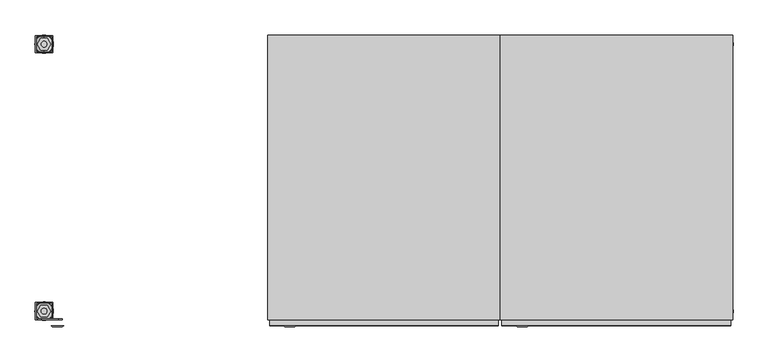
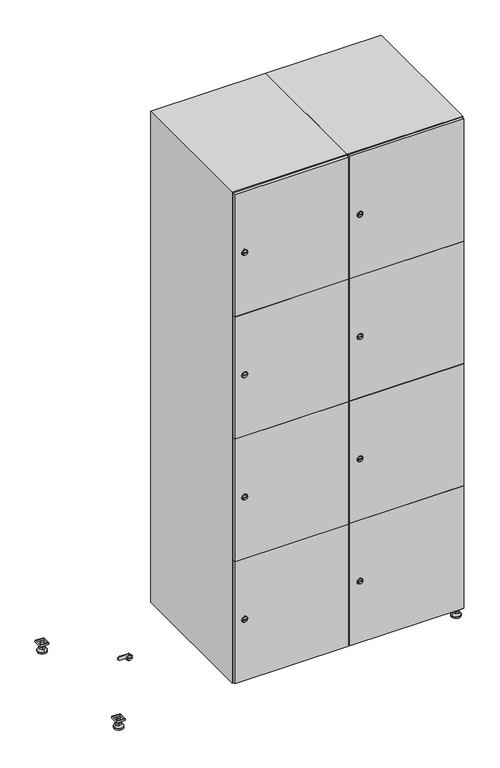
"""IFC4 building model written with IfcOpenShell, lengths in millimetres: furniture geometry."""

from ifc_helpers import new_model, si_unit, point, frame, frame_2d, origin, origin_with_axes, place, context, project, spatial, polyline, circle_curve, trimmed, segment, composite_curve, outline, extrude, faceted_brep, source, transform, mapped, element, save
from ifc_brep_helpers import plane_surface, revolved_surface, advanced_brep


def furniture_aa721944(model_context):
    return source(origin(), model_context, "Body", "SolidModel", [
        extrude(outline(polyline([(1000.0, 245.0), (1000.0, 215.0), (970.0, 215.0), (970.0, 245.0), (1000.0, 245.0)]), holes=[polyline([(998.0, 243.0), (972.0, 243.0), (972.0, 217.0), (998.0, 217.0), (998.0, 243.0)])]), frame((0.0, 0.0, 28.5), z_axis=(0.0, 0.0, 1.0), x_axis=(1.0, 0.0, 0.0)), (0.0, 0.0, 1.0), 6.5),
        extrude(outline(polyline([(970.0, -245.0), (970.0, -215.0), (1000.0, -215.0), (1000.0, -245.0), (970.0, -245.0)]), holes=[polyline([(972.0, -243.0), (998.0, -243.0), (998.0, -217.0), (972.0, -217.0), (972.0, -243.0)])]), frame((0.0, 0.0, 28.5), z_axis=(0.0, 0.0, 1.0), x_axis=(1.0, 0.0, 0.0)), (0.0, 0.0, 1.0), 6.5),
        extrude(outline(polyline([(-170.0, 245.0), (-170.0, 215.0), (-200.0, 215.0), (-200.0, 245.0), (-170.0, 245.0)]), holes=[polyline([(-172.0, 243.0), (-198.0, 243.0), (-198.0, 217.0), (-172.0, 217.0), (-172.0, 243.0)])]), frame((0.0, 0.0, 28.5), z_axis=(0.0, 0.0, 1.0), x_axis=(1.0, 0.0, 0.0)), (0.0, 0.0, 1.0), 6.5),
        extrude(outline(polyline([(-170.0, -215.0), (-170.0, -245.0), (-200.0, -245.0), (-200.0, -215.0), (-170.0, -215.0)]), holes=[polyline([(-198.0, -243.0), (-172.0, -243.0), (-172.0, -217.0), (-198.0, -217.0), (-198.0, -243.0)])]), frame((0.0, 0.0, 28.5), z_axis=(0.0, 0.0, 1.0), x_axis=(1.0, 0.0, 0.0)), (0.0, 0.0, 1.0), 6.5),
        extrude(outline(composite_curve([segment(trimmed(circle_curve(frame_2d((-185.0, 230.0)), 5.0), [point((-180.0, 230.0))], [point((-190.0, 230.0))], False, "CARTESIAN"), True, "CONTINUOUS"), segment(trimmed(circle_curve(frame_2d((-185.0, 230.0)), 5.0), [point((-190.0, 230.0))], [point((-180.0, 230.0))], False, "CARTESIAN"), True, "CONTINUOUS")], self_intersect=False)), frame((0.0, 0.0, 19.6), z_axis=(0.0, 0.0, 1.0), x_axis=(1.0, 0.0, 0.0)), (0.0, 0.0, 1.0), 15.4),
        extrude(outline(composite_curve([segment(trimmed(circle_curve(frame_2d((-185.0, -230.0)), 5.0), [point((-180.0, -230.0))], [point((-190.0, -230.0))], False, "CARTESIAN"), True, "CONTINUOUS"), segment(trimmed(circle_curve(frame_2d((-185.0, -230.0)), 5.0), [point((-190.0, -230.0))], [point((-180.0, -230.0))], False, "CARTESIAN"), True, "CONTINUOUS")], self_intersect=False)), frame((0.0, 0.0, 19.6), z_axis=(0.0, 0.0, 1.0), x_axis=(1.0, 0.0, 0.0)), (0.0, 0.0, 1.0), 15.4),
        extrude(outline(composite_curve([segment(trimmed(circle_curve(frame_2d((985.0, 230.0)), 5.0), [point((990.0, 230.0))], [point((980.0, 230.0))], False, "CARTESIAN"), True, "CONTINUOUS"), segment(trimmed(circle_curve(frame_2d((985.0, 230.0)), 5.0), [point((980.0, 230.0))], [point((990.0, 230.0))], False, "CARTESIAN"), True, "CONTINUOUS")], self_intersect=False)), frame((0.0, 0.0, 19.6), z_axis=(0.0, 0.0, 1.0), x_axis=(1.0, 0.0, 0.0)), (0.0, 0.0, 1.0), 15.4),
        extrude(outline(polyline([(973.4529946, 230.0), (979.2264973, 240.0), (990.7735027, 240.0), (996.5470054, 230.0), (990.7735027, 220.0), (979.2264973, 220.0), (973.4529946, 230.0)])), frame((0.0, 0.0, 13.6), z_axis=(0.0, 0.0, 1.0), x_axis=(1.0, 0.0, 0.0)), (0.0, 0.0, 1.0), 6.0),
        extrude(outline(composite_curve([segment(trimmed(circle_curve(frame_2d((985.0, -230.0)), 5.0), [point((990.0, -230.0))], [point((980.0, -230.0))], False, "CARTESIAN"), True, "CONTINUOUS"), segment(trimmed(circle_curve(frame_2d((985.0, -230.0)), 5.0), [point((980.0, -230.0))], [point((990.0, -230.0))], False, "CARTESIAN"), True, "CONTINUOUS")], self_intersect=False)), frame((0.0, 0.0, 19.6), z_axis=(0.0, 0.0, 1.0), x_axis=(1.0, 0.0, 0.0)), (0.0, 0.0, 1.0), 15.4),
        extrude(outline(polyline([(973.4529946, -230.0), (979.2264973, -220.0), (990.7735027, -220.0), (996.5470054, -230.0), (990.7735027, -240.0), (979.2264973, -240.0), (973.4529946, -230.0)])), frame((0.0, 0.0, 13.6), z_axis=(0.0, 0.0, 1.0), x_axis=(1.0, 0.0, 0.0)), (0.0, 0.0, 1.0), 6.0),
        extrude(outline(composite_curve([segment(trimmed(circle_curve(frame_2d((985.0, 230.0)), 5.0), [point((990.0, 230.0))], [point((980.0, 230.0))], False, "CARTESIAN"), True, "CONTINUOUS"), segment(trimmed(circle_curve(frame_2d((985.0, 230.0)), 5.0), [point((980.0, 230.0))], [point((990.0, 230.0))], False, "CARTESIAN"), True, "CONTINUOUS")], self_intersect=False)), frame((0.0, 0.0, 12.1), z_axis=(0.0, 0.0, 1.0), x_axis=(1.0, 0.0, 0.0)), (0.0, 0.0, 1.0), 1.5),
        extrude(outline(composite_curve([segment(trimmed(circle_curve(frame_2d((985.0, -230.0)), 5.0), [point((990.0, -230.0))], [point((980.0, -230.0))], False, "CARTESIAN"), True, "CONTINUOUS"), segment(trimmed(circle_curve(frame_2d((985.0, -230.0)), 5.0), [point((980.0, -230.0))], [point((990.0, -230.0))], False, "CARTESIAN"), True, "CONTINUOUS")], self_intersect=False)), frame((0.0, 0.0, 12.1), z_axis=(0.0, 0.0, 1.0), x_axis=(1.0, 0.0, 0.0)), (0.0, 0.0, 1.0), 1.5),
        extrude(outline(polyline([(-196.5470054, 230.0), (-190.7735027, 240.0), (-179.2264973, 240.0), (-173.4529946, 230.0), (-179.2264973, 220.0), (-190.7735027, 220.0), (-196.5470054, 230.0)])), frame((0.0, 0.0, 13.6), z_axis=(0.0, 0.0, 1.0), x_axis=(1.0, 0.0, 0.0)), (0.0, 0.0, 1.0), 6.0),
        extrude(outline(polyline([(-196.5470054, -230.0), (-190.7735027, -220.0), (-179.2264973, -220.0), (-173.4529946, -230.0), (-179.2264973, -240.0), (-190.7735027, -240.0), (-196.5470054, -230.0)])), frame((0.0, 0.0, 13.6), z_axis=(0.0, 0.0, 1.0), x_axis=(1.0, 0.0, 0.0)), (0.0, 0.0, 1.0), 6.0),
        extrude(outline(composite_curve([segment(trimmed(circle_curve(frame_2d((-185.0, 230.0)), 5.0), [point((-185.0, 235.0))], [point((-185.0, 225.0))], False, "CARTESIAN"), True, "CONTINUOUS"), segment(trimmed(circle_curve(frame_2d((-185.0, 230.0)), 5.0), [point((-185.0, 225.0))], [point((-185.0, 235.0))], False, "CARTESIAN"), True, "CONTINUOUS")], self_intersect=False)), frame((0.0, 0.0, 12.1), z_axis=(0.0, 0.0, 1.0), x_axis=(1.0, 0.0, 0.0)), (0.0, 0.0, 1.0), 1.5),
        extrude(outline(composite_curve([segment(trimmed(circle_curve(frame_2d((-185.0, -230.0)), 5.0), [point((-180.0, -230.0))], [point((-190.0, -230.0))], False, "CARTESIAN"), True, "CONTINUOUS"), segment(trimmed(circle_curve(frame_2d((-185.0, -230.0)), 5.0), [point((-190.0, -230.0))], [point((-180.0, -230.0))], False, "CARTESIAN"), True, "CONTINUOUS")], self_intersect=False)), frame((0.0, 0.0, 12.1), z_axis=(0.0, 0.0, 1.0), x_axis=(1.0, 0.0, 0.0)), (0.0, 0.0, 1.0), 1.5),
        extrude(outline(composite_curve([segment(trimmed(circle_curve(frame_2d((985.0, 230.0)), 15.75), [point((1000.75, 230.0))], [point((969.25, 230.0))], False, "CARTESIAN"), True, "CONTINUOUS"), segment(trimmed(circle_curve(frame_2d((985.0, 230.0)), 15.75), [point((969.25, 230.0))], [point((1000.75, 230.0))], False, "CARTESIAN"), True, "CONTINUOUS")], self_intersect=False)), origin_with_axes(), (0.0, 0.0, 1.0), 5.1),
        extrude(outline(composite_curve([segment(trimmed(circle_curve(frame_2d((985.0, -230.0)), 15.75), [point((985.0, -214.25))], [point((985.0, -245.75))], False, "CARTESIAN"), True, "CONTINUOUS"), segment(trimmed(circle_curve(frame_2d((985.0, -230.0)), 15.75), [point((985.0, -245.75))], [point((985.0, -214.25))], False, "CARTESIAN"), True, "CONTINUOUS")], self_intersect=False)), origin_with_axes(), (0.0, 0.0, 1.0), 5.1),
        extrude(outline(composite_curve([segment(trimmed(circle_curve(frame_2d((-185.0, -230.0)), 15.75), [point((-169.25, -230.0))], [point((-200.75, -230.0))], False, "CARTESIAN"), True, "CONTINUOUS"), segment(trimmed(circle_curve(frame_2d((-185.0, -230.0)), 15.75), [point((-200.75, -230.0))], [point((-169.25, -230.0))], False, "CARTESIAN"), True, "CONTINUOUS")], self_intersect=False)), origin_with_axes(), (0.0, 0.0, 1.0), 5.1),
        extrude(outline(composite_curve([segment(trimmed(circle_curve(frame_2d((-185.0, 230.0)), 15.75), [point((-169.25, 230.0))], [point((-200.75, 230.0))], False, "CARTESIAN"), True, "CONTINUOUS"), segment(trimmed(circle_curve(frame_2d((-185.0, 230.0)), 15.75), [point((-200.75, 230.0))], [point((-169.25, 230.0))], False, "CARTESIAN"), True, "CONTINUOUS")], self_intersect=False)), origin_with_axes(), (0.0, 0.0, 1.0), 5.1),
        advanced_brep(
        [(-185.0, 239.5, 12.1), (-185.0, 220.5, 12.1), (-185.0, 214.25, 5.1), (-185.0, 245.75, 5.1)],
        [
            (0, 1, circle_curve(frame((-185.0, 230.0, 12.1), z_axis=(0.0, 0.0, -1.0), x_axis=(0.0, 1.0, 0.0)), 9.5)),
            (1, 2),
            (2, 3, circle_curve(frame((-185.0, 230.0, 5.1), z_axis=(0.0, 0.0, 1.0), x_axis=(0.0, 1.0, 0.0)), 15.75)),
            (3, 0),
            (1, 0, circle_curve(frame((-185.0, 230.0, 12.1), z_axis=(0.0, 0.0, -1.0), x_axis=(0.0, -1.0, 0.0)), 9.5)),
            (3, 2, circle_curve(frame((-185.0, 230.0, 5.1), z_axis=(0.0, 0.0, 1.0), x_axis=(0.0, -1.0, 0.0)), 15.75)),
        ],
        [
            revolved_surface(polyline([(-185.0, 220.5, 12.099999999999998), (-185.0, 214.25, 5.099999999999998)]), (-185.0, 230.0, 22.74), (0.0, 0.0, -1.0)),
            revolved_surface(polyline([(-185.0, 239.5, 12.099999999999998), (-185.0, 245.75, 5.099999999999998)]), (-185.0, 230.0, 22.74), (0.0, 0.0, -1.0)),
            plane_surface(frame((-185.0, 230.0, 5.1), z_axis=(0.0, 0.0, -1.0), x_axis=(1.0, 0.0, 0.0))),
            plane_surface(frame((-185.0, 230.0, 12.1), z_axis=(0.0, 0.0, 1.0), x_axis=(1.0, 0.0, 0.0))),
        ],
        [
            (0, [[1, 2, 3, 4]]),
            (1, [[5, -4, 6, -2]]),
            (2, [[-3, -6]]),
            (3, [[-5, -1]]),
        ],
    ),
        advanced_brep(
        [(985.0, 239.5, 12.1), (985.0, 220.5, 12.1), (985.0, 214.25, 5.1), (985.0, 245.75, 5.1)],
        [
            (0, 1, circle_curve(frame((985.0, 230.0, 12.1), z_axis=(0.0, 0.0, -1.0), x_axis=(0.0, 1.0, 0.0)), 9.5)),
            (1, 2),
            (2, 3, circle_curve(frame((985.0, 230.0, 5.1), z_axis=(0.0, 0.0, 1.0), x_axis=(0.0, 1.0, 0.0)), 15.75)),
            (3, 0),
            (1, 0, circle_curve(frame((985.0, 230.0, 12.1), z_axis=(0.0, 0.0, -1.0), x_axis=(0.0, -1.0, 0.0)), 9.5)),
            (3, 2, circle_curve(frame((985.0, 230.0, 5.1), z_axis=(0.0, 0.0, 1.0), x_axis=(0.0, -1.0, 0.0)), 15.75)),
        ],
        [
            revolved_surface(polyline([(985.0, 220.5, 12.099999999999998), (985.0, 214.25, 5.099999999999998)]), (985.0, 230.0, 22.74), (0.0, 0.0, -1.0)),
            revolved_surface(polyline([(985.0, 239.5, 12.099999999999998), (985.0, 245.75, 5.099999999999998)]), (985.0, 230.0, 22.74), (0.0, 0.0, -1.0)),
            plane_surface(frame((985.0, 230.0, 5.1), z_axis=(0.0, 0.0, -1.0), x_axis=(1.0, 0.0, 0.0))),
            plane_surface(frame((985.0, 230.0, 12.1), z_axis=(0.0, 0.0, 1.0), x_axis=(1.0, 0.0, 0.0))),
        ],
        [
            (0, [[1, 2, 3, 4]]),
            (1, [[5, -4, 6, -2]]),
            (2, [[-3, -6]]),
            (3, [[-5, -1]]),
        ],
    ),
        advanced_brep(
        [(1000.75, -230.0, 5.1), (969.25, -230.0, 5.1), (975.5, -230.0, 12.1), (994.5, -230.0, 12.1)],
        [
            (0, 1, circle_curve(frame((985.0, -230.0, 5.1), z_axis=(0.0, 0.0, 1.0), x_axis=(1.0, 0.0, 0.0)), 15.75)),
            (1, 2),
            (2, 3, circle_curve(frame((985.0, -230.0, 12.1), z_axis=(0.0, 0.0, -1.0), x_axis=(1.0, 0.0, 0.0)), 9.5)),
            (3, 0),
            (1, 0, circle_curve(frame((985.0, -230.0, 5.1), z_axis=(0.0, 0.0, 1.0), x_axis=(-1.0, 0.0, 0.0)), 15.75)),
            (3, 2, circle_curve(frame((985.0, -230.0, 12.1), z_axis=(0.0, 0.0, -1.0), x_axis=(-1.0, 0.0, 0.0)), 9.5)),
        ],
        [
            revolved_surface(polyline([(994.5, -230.0, 12.099999999999998), (1000.75, -230.0, 5.099999999999998)]), (985.0, -230.0, 22.74), (0.0, 0.0, -1.0)),
            revolved_surface(polyline([(975.5, -230.0, 12.099999999999998), (969.25, -230.0, 5.099999999999998)]), (985.0, -230.0, 22.74), (0.0, 0.0, -1.0)),
            plane_surface(frame((985.0, -230.0, 12.1), z_axis=(0.0, 0.0, 1.0), x_axis=(0.0, 1.0, 0.0))),
            plane_surface(frame((985.0, -230.0, 5.1), z_axis=(0.0, 0.0, -1.0), x_axis=(0.0, 1.0, 0.0))),
        ],
        [
            (0, [[1, 2, 3, 4]]),
            (1, [[5, -4, 6, -2]]),
            (2, [[-3, -6]]),
            (3, [[-5, -1]]),
        ],
    ),
        advanced_brep(
        [(-169.25, -230.0, 5.1), (-200.75, -230.0, 5.1), (-194.5, -230.0, 12.1), (-175.5, -230.0, 12.1)],
        [
            (0, 1, circle_curve(frame((-185.0, -230.0, 5.1), z_axis=(0.0, 0.0, 1.0), x_axis=(1.0, 0.0, 0.0)), 15.75)),
            (1, 2),
            (2, 3, circle_curve(frame((-185.0, -230.0, 12.1), z_axis=(0.0, 0.0, -1.0), x_axis=(1.0, 0.0, 0.0)), 9.5)),
            (3, 0),
            (1, 0, circle_curve(frame((-185.0, -230.0, 5.1), z_axis=(0.0, 0.0, 1.0), x_axis=(-1.0, 0.0, 0.0)), 15.75)),
            (3, 2, circle_curve(frame((-185.0, -230.0, 12.1), z_axis=(0.0, 0.0, -1.0), x_axis=(-1.0, 0.0, 0.0)), 9.5)),
        ],
        [
            revolved_surface(polyline([(-175.5, -230.0, 12.099999999999998), (-169.25, -230.0, 5.099999999999998)]), (-185.0, -230.0, 22.74), (0.0, 0.0, -1.0)),
            revolved_surface(polyline([(-194.5, -230.0, 12.099999999999998), (-200.75, -230.0, 5.099999999999998)]), (-185.0, -230.0, 22.74), (0.0, 0.0, -1.0)),
            plane_surface(frame((-185.0, -230.0, 12.1), z_axis=(0.0, 0.0, 1.0), x_axis=(0.0, 1.0, 0.0))),
            plane_surface(frame((-185.0, -230.0, 5.1), z_axis=(0.0, 0.0, -1.0), x_axis=(0.0, 1.0, 0.0))),
        ],
        [
            (0, [[1, 2, 3, 4]]),
            (1, [[5, -4, 6, -2]]),
            (2, [[-3, -6]]),
            (3, [[-5, -1]]),
        ],
    ),
        extrude(outline(composite_curve([segment(trimmed(circle_curve(frame_2d((262.25, 611.2010534)), 7.0), [point((269.25, 611.2010534))], [point((255.25, 611.2010534))], False, "CARTESIAN"), True, "CONTINUOUS"), segment(polyline([(255.25, 611.2010534), (255.25, 639.2010534)]), True, "CONTINUOUS"), segment(trimmed(circle_curve(frame_2d((262.25, 639.2010534)), 7.0), [point((255.25, 639.2010534))], [point((269.25, 639.2010534))], False, "CARTESIAN"), True, "CONTINUOUS"), segment(polyline([(269.25, 639.2010534), (269.25, 611.2010534)]), True, "CONTINUOUS")], self_intersect=False)), frame((0.0, -245.0, 0.0), z_axis=(0.0, 1.0, 0.0), x_axis=(0.0, 0.0, 1.0)), (0.0, 0.0, 1.0), 2.0),
        advanced_brep(
        [(646.5, -257.2, 262.25), (629.5, -257.2, 262.25), (633.0, -257.2, 261.0), (633.0, -257.2, 263.5), (643.0, -257.2, 263.5), (643.0, -257.2, 261.0), (648.5, -255.0, 262.25), (627.5, -255.0, 262.25), (633.0, -255.0, 263.5), (633.0, -255.0, 261.0), (643.0, -255.0, 261.0), (643.0, -255.0, 263.5)],
        [
            (0, 1, circle_curve(frame((638.0, -257.2, 262.25), z_axis=(0.0, -1.0, 0.0), x_axis=(1.0, 0.0, 0.0)), 8.5)),
            (1, 0, circle_curve(frame((638.0, -257.2, 262.25), z_axis=(0.0, -1.0, 0.0), x_axis=(-1.0, 0.0, 0.0)), 8.5)),
            (2, 3),
            (3, 4),
            (4, 5),
            (5, 2),
            (6, 7, circle_curve(frame((638.0, -255.0, 262.25), z_axis=(0.0, 1.0, 0.0), x_axis=(-1.0, 0.0, 0.0)), 10.5)),
            (7, 6, circle_curve(frame((638.0, -255.0, 262.25), z_axis=(0.0, 1.0, 0.0), x_axis=(1.0, 0.0, 0.0)), 10.5)),
            (8, 9),
            (9, 10),
            (10, 11),
            (11, 8),
            (0, 6),
            (7, 1),
            (8, 3),
            (2, 9),
            (11, 4),
            (10, 5),
        ],
        [
            plane_surface(frame((638.0, -257.2, 262.25), z_axis=(0.0, -1.0, 0.0), x_axis=(0.0, 0.0, 1.0))),
            plane_surface(frame((638.0, -255.0, 262.25), z_axis=(0.0, 1.0, 0.0), x_axis=(0.0, 0.0, 1.0))),
            revolved_surface(polyline([(646.5, -257.2, 262.25), (648.5, -255.0, 262.25)]), (638.0, -266.55, 262.25), (0.0, 1.0, 0.0)),
            revolved_surface(polyline([(629.5, -257.2, 262.25), (627.5, -255.0, 262.25)]), (638.0, -266.55, 262.25), (0.0, 1.0, 0.0)),
            plane_surface(frame((633.0, -255.0, 261.0), z_axis=(1.0, 0.0, 0.0), x_axis=(0.0, -1.0, 0.0))),
            plane_surface(frame((633.0, -255.0, 263.5), z_axis=(0.0, 0.0, -1.0), x_axis=(0.0, -1.0, 0.0))),
            plane_surface(frame((643.0, -255.0, 263.5), z_axis=(-1.0, 0.0, 0.0), x_axis=(0.0, -1.0, 0.0))),
            plane_surface(frame((643.0, -255.0, 261.0), z_axis=(0.0, 0.0, 1.0), x_axis=(0.0, -1.0, 0.0))),
        ],
        [
            (0, [[1, 2], [3, 4, 5, 6]]),
            (1, [[7, 8], [9, 10, 11, 12]]),
            (2, [[-1, 13, -8, 14]]),
            (3, [[-2, -14, -7, -13]]),
            (4, [[15, -3, 16, -9]]),
            (5, [[-15, -12, 17, -4]]),
            (6, [[-17, -11, 18, -5]]),
            (7, [[-16, -6, -18, -10]]),
        ],
    ),
        extrude(outline(composite_curve([segment(trimmed(circle_curve(frame_2d((710.75, 611.2010534)), 7.0), [point((717.75, 611.2010534))], [point((703.75, 611.2010534))], False, "CARTESIAN"), True, "CONTINUOUS"), segment(polyline([(703.75, 611.2010534), (703.75, 639.2010534)]), True, "CONTINUOUS"), segment(trimmed(circle_curve(frame_2d((710.75, 639.2010534)), 7.0), [point((703.75, 639.2010534))], [point((717.75, 639.2010534))], False, "CARTESIAN"), True, "CONTINUOUS"), segment(polyline([(717.75, 639.2010534), (717.75, 611.2010534)]), True, "CONTINUOUS")], self_intersect=False)), frame((0.0, -245.0, 0.0), z_axis=(0.0, 1.0, 0.0), x_axis=(0.0, 0.0, 1.0)), (0.0, 0.0, 1.0), 2.0),
        advanced_brep(
        [(646.5, -257.2, 710.75), (629.5, -257.2, 710.75), (633.0, -257.2, 709.5), (633.0, -257.2, 712.0), (643.0, -257.2, 712.0), (643.0, -257.2, 709.5), (648.5, -255.0, 710.75), (627.5, -255.0, 710.75), (633.0, -255.0, 712.0), (633.0, -255.0, 709.5), (643.0, -255.0, 709.5), (643.0, -255.0, 712.0)],
        [
            (0, 1, circle_curve(frame((638.0, -257.2, 710.75), z_axis=(0.0, -1.0, 0.0), x_axis=(1.0, 0.0, 0.0)), 8.5)),
            (1, 0, circle_curve(frame((638.0, -257.2, 710.75), z_axis=(0.0, -1.0, 0.0), x_axis=(-1.0, 0.0, 0.0)), 8.5)),
            (2, 3),
            (3, 4),
            (4, 5),
            (5, 2),
            (6, 7, circle_curve(frame((638.0, -255.0, 710.75), z_axis=(0.0, 1.0, 0.0), x_axis=(-1.0, 0.0, 0.0)), 10.5)),
            (7, 6, circle_curve(frame((638.0, -255.0, 710.75), z_axis=(0.0, 1.0, 0.0), x_axis=(1.0, 0.0, 0.0)), 10.5)),
            (8, 9),
            (9, 10),
            (10, 11),
            (11, 8),
            (0, 6),
            (7, 1),
            (8, 3),
            (2, 9),
            (11, 4),
            (10, 5),
        ],
        [
            plane_surface(frame((638.0, -257.2, 710.75), z_axis=(0.0, -1.0, 0.0), x_axis=(0.0, 0.0, 1.0))),
            plane_surface(frame((638.0, -255.0, 710.75), z_axis=(0.0, 1.0, 0.0), x_axis=(0.0, 0.0, 1.0))),
            revolved_surface(polyline([(646.5, -257.2, 710.75), (648.5, -255.0, 710.75)]), (638.0, -266.55, 710.75), (0.0, 1.0, 0.0)),
            revolved_surface(polyline([(629.5, -257.2, 710.75), (627.5, -255.0, 710.75)]), (638.0, -266.55, 710.75), (0.0, 1.0, 0.0)),
            plane_surface(frame((633.0, -255.0, 709.5), z_axis=(1.0, 0.0, 0.0), x_axis=(0.0, -1.0, 0.0))),
            plane_surface(frame((633.0, -255.0, 712.0), z_axis=(0.0, 0.0, -1.0), x_axis=(0.0, -1.0, 0.0))),
            plane_surface(frame((643.0, -255.0, 712.0), z_axis=(-1.0, 0.0, 0.0), x_axis=(0.0, -1.0, 0.0))),
            plane_surface(frame((643.0, -255.0, 709.5), z_axis=(0.0, 0.0, 1.0), x_axis=(0.0, -1.0, 0.0))),
        ],
        [
            (0, [[1, 2], [3, 4, 5, 6]]),
            (1, [[7, 8], [9, 10, 11, 12]]),
            (2, [[-1, 13, -8, 14]]),
            (3, [[-2, -14, -7, -13]]),
            (4, [[15, -3, 16, -9]]),
            (5, [[-15, -12, 17, -4]]),
            (6, [[-17, -11, 18, -5]]),
            (7, [[-16, -6, -18, -10]]),
        ],
    ),
        extrude(outline(composite_curve([segment(trimmed(circle_curve(frame_2d((1159.25, 611.2010534)), 7.0), [point((1166.25, 611.2010534))], [point((1152.25, 611.2010534))], False, "CARTESIAN"), True, "CONTINUOUS"), segment(polyline([(1152.25, 611.2010534), (1152.25, 639.2010534)]), True, "CONTINUOUS"), segment(trimmed(circle_curve(frame_2d((1159.25, 639.2010534)), 7.0), [point((1152.25, 639.2010534))], [point((1166.25, 639.2010534))], False, "CARTESIAN"), True, "CONTINUOUS"), segment(polyline([(1166.25, 639.2010534), (1166.25, 611.2010534)]), True, "CONTINUOUS")], self_intersect=False)), frame((0.0, -245.0, 0.0), z_axis=(0.0, 1.0, 0.0), x_axis=(0.0, 0.0, 1.0)), (0.0, 0.0, 1.0), 2.0),
        advanced_brep(
        [(646.5, -257.2, 1159.25), (629.5, -257.2, 1159.25), (633.0, -257.2, 1158.0), (633.0, -257.2, 1160.5), (643.0, -257.2, 1160.5), (643.0, -257.2, 1158.0), (648.5, -255.0, 1159.25), (627.5, -255.0, 1159.25), (633.0, -255.0, 1160.5), (633.0, -255.0, 1158.0), (643.0, -255.0, 1158.0), (643.0, -255.0, 1160.5)],
        [
            (0, 1, circle_curve(frame((638.0, -257.2, 1159.25), z_axis=(0.0, -1.0, 0.0), x_axis=(1.0, 0.0, 0.0)), 8.5)),
            (1, 0, circle_curve(frame((638.0, -257.2, 1159.25), z_axis=(0.0, -1.0, 0.0), x_axis=(-1.0, 0.0, 0.0)), 8.5)),
            (2, 3),
            (3, 4),
            (4, 5),
            (5, 2),
            (6, 7, circle_curve(frame((638.0, -255.0, 1159.25), z_axis=(0.0, 1.0, 0.0), x_axis=(-1.0, 0.0, 0.0)), 10.5)),
            (7, 6, circle_curve(frame((638.0, -255.0, 1159.25), z_axis=(0.0, 1.0, 0.0), x_axis=(1.0, 0.0, 0.0)), 10.5)),
            (8, 9),
            (9, 10),
            (10, 11),
            (11, 8),
            (0, 6),
            (7, 1),
            (8, 3),
            (2, 9),
            (11, 4),
            (10, 5),
        ],
        [
            plane_surface(frame((638.0, -257.2, 1159.25), z_axis=(0.0, -1.0, 0.0), x_axis=(0.0, 0.0, 1.0))),
            plane_surface(frame((638.0, -255.0, 1159.25), z_axis=(0.0, 1.0, 0.0), x_axis=(0.0, 0.0, 1.0))),
            revolved_surface(polyline([(646.5, -257.2, 1159.25), (648.5, -255.0, 1159.25)]), (638.0, -266.55, 1159.25), (0.0, 1.0, 0.0)),
            revolved_surface(polyline([(629.5, -257.2, 1159.25), (627.5, -255.0, 1159.25)]), (638.0, -266.55, 1159.25), (0.0, 1.0, 0.0)),
            plane_surface(frame((633.0, -255.0, 1158.0), z_axis=(1.0, 0.0, 0.0), x_axis=(0.0, -1.0, 0.0))),
            plane_surface(frame((633.0, -255.0, 1160.5), z_axis=(0.0, 0.0, -1.0), x_axis=(0.0, -1.0, 0.0))),
            plane_surface(frame((643.0, -255.0, 1160.5), z_axis=(-1.0, 0.0, 0.0), x_axis=(0.0, -1.0, 0.0))),
            plane_surface(frame((643.0, -255.0, 1158.0), z_axis=(0.0, 0.0, 1.0), x_axis=(0.0, -1.0, 0.0))),
        ],
        [
            (0, [[1, 2], [3, 4, 5, 6]]),
            (1, [[7, 8], [9, 10, 11, 12]]),
            (2, [[-1, 13, -8, 14]]),
            (3, [[-2, -14, -7, -13]]),
            (4, [[15, -3, 16, -9]]),
            (5, [[-15, -12, 17, -4]]),
            (6, [[-17, -11, 18, -5]]),
            (7, [[-16, -6, -18, -10]]),
        ],
    ),
        extrude(outline(composite_curve([segment(trimmed(circle_curve(frame_2d((1607.75, 611.2010534)), 7.0), [point((1614.75, 611.2010534))], [point((1600.75, 611.2010534))], False, "CARTESIAN"), True, "CONTINUOUS"), segment(polyline([(1600.75, 611.2010534), (1600.75, 639.2010534)]), True, "CONTINUOUS"), segment(trimmed(circle_curve(frame_2d((1607.75, 639.2010534)), 7.0), [point((1600.75, 639.2010534))], [point((1614.75, 639.2010534))], False, "CARTESIAN"), True, "CONTINUOUS"), segment(polyline([(1614.75, 639.2010534), (1614.75, 611.2010534)]), True, "CONTINUOUS")], self_intersect=False)), frame((0.0, -245.0, 0.0), z_axis=(0.0, 1.0, 0.0), x_axis=(0.0, 0.0, 1.0)), (0.0, 0.0, 1.0), 2.0),
        advanced_brep(
        [(646.5, -257.2, 1607.75), (629.5, -257.2, 1607.75), (633.0, -257.2, 1606.5), (633.0, -257.2, 1609.0), (643.0, -257.2, 1609.0), (643.0, -257.2, 1606.5), (648.5, -255.0, 1607.75), (627.5, -255.0, 1607.75), (633.0, -255.0, 1609.0), (633.0, -255.0, 1606.5), (643.0, -255.0, 1606.5), (643.0, -255.0, 1609.0)],
        [
            (0, 1, circle_curve(frame((638.0, -257.2, 1607.75), z_axis=(0.0, -1.0, 0.0), x_axis=(1.0, 0.0, 0.0)), 8.5)),
            (1, 0, circle_curve(frame((638.0, -257.2, 1607.75), z_axis=(0.0, -1.0, 0.0), x_axis=(-1.0, 0.0, 0.0)), 8.5)),
            (2, 3),
            (3, 4),
            (4, 5),
            (5, 2),
            (6, 7, circle_curve(frame((638.0, -255.0, 1607.75), z_axis=(0.0, 1.0, 0.0), x_axis=(-1.0, 0.0, 0.0)), 10.5)),
            (7, 6, circle_curve(frame((638.0, -255.0, 1607.75), z_axis=(0.0, 1.0, 0.0), x_axis=(1.0, 0.0, 0.0)), 10.5)),
            (8, 9),
            (9, 10),
            (10, 11),
            (11, 8),
            (0, 6),
            (7, 1),
            (8, 3),
            (2, 9),
            (11, 4),
            (10, 5),
        ],
        [
            plane_surface(frame((638.0, -257.2, 1607.75), z_axis=(0.0, -1.0, 0.0), x_axis=(0.0, 0.0, 1.0))),
            plane_surface(frame((638.0, -255.0, 1607.75), z_axis=(0.0, 1.0, 0.0), x_axis=(0.0, 0.0, 1.0))),
            revolved_surface(polyline([(646.5, -257.2, 1607.75), (648.5, -255.0, 1607.75)]), (638.0, -266.55, 1607.75), (0.0, 1.0, 0.0)),
            revolved_surface(polyline([(629.5, -257.2, 1607.75), (627.5, -255.0, 1607.75)]), (638.0, -266.55, 1607.75), (0.0, 1.0, 0.0)),
            plane_surface(frame((633.0, -255.0, 1606.5), z_axis=(1.0, 0.0, 0.0), x_axis=(0.0, -1.0, 0.0))),
            plane_surface(frame((633.0, -255.0, 1609.0), z_axis=(0.0, 0.0, -1.0), x_axis=(0.0, -1.0, 0.0))),
            plane_surface(frame((643.0, -255.0, 1609.0), z_axis=(-1.0, 0.0, 0.0), x_axis=(0.0, -1.0, 0.0))),
            plane_surface(frame((643.0, -255.0, 1606.5), z_axis=(0.0, 0.0, 1.0), x_axis=(0.0, -1.0, 0.0))),
        ],
        [
            (0, [[1, 2], [3, 4, 5, 6]]),
            (1, [[7, 8], [9, 10, 11, 12]]),
            (2, [[-1, 13, -8, 14]]),
            (3, [[-2, -14, -7, -13]]),
            (4, [[15, -3, 16, -9]]),
            (5, [[-15, -12, 17, -4]]),
            (6, [[-17, -11, 18, -5]]),
            (7, [[-16, -6, -18, -10]]),
        ],
    ),
        extrude(outline(polyline([(997.0, -245.0), (997.0, -255.0), (603.0, -255.0), (603.0, -245.0), (997.0, -245.0)])), frame((0.0, 0.0, 486.0), z_axis=(0.0, 0.0, 1.0), x_axis=(1.0, 0.0, 0.0)), (0.0, 0.0, 1.0), 448.5),
        extrude(outline(polyline([(997.0, -245.0), (997.0, -255.0), (603.0, -255.0), (603.0, -245.0), (997.0, -245.0)])), frame((0.0, 0.0, 935.5), z_axis=(0.0, 0.0, 1.0), x_axis=(1.0, 0.0, 0.0)), (0.0, 0.0, 1.0), 447.5),
        extrude(outline(polyline([(603.0, -255.0), (603.0, -245.0), (997.0, -245.0), (997.0, -255.0), (603.0, -255.0)])), frame((0.0, 0.0, 1384.0), z_axis=(0.0, 0.0, 1.0), x_axis=(1.0, 0.0, 0.0)), (0.0, 0.0, 1.0), 448.0),
        extrude(outline(polyline([(997.0, -245.0), (997.0, -255.0), (603.0, -255.0), (603.0, -245.0), (997.0, -245.0)])), frame((0.0, 0.0, 38.0), z_axis=(0.0, 0.0, 1.0), x_axis=(1.0, 0.0, 0.0)), (0.0, 0.0, 1.0), 449.0),
        extrude(outline(polyline([(979.6, 242.0), (979.6, -235.0), (620.4, -235.0), (620.4, 242.0), (979.6, 242.0)])), frame((0.0, 0.0, 1359.7), z_axis=(0.0, 0.0, 1.0), x_axis=(1.0, 0.0, 0.0)), (0.0, 0.0, 1.0), 20.4),
        extrude(outline(polyline([(979.6, 242.0), (979.6, -235.0), (620.4, -235.0), (620.4, 242.0), (979.6, 242.0)])), frame((0.0, 0.0, 924.8), z_axis=(0.0, 0.0, 1.0), x_axis=(1.0, 0.0, 0.0)), (0.0, 0.0, 1.0), 20.4),
        extrude(outline(polyline([(979.6, 242.0), (979.6, -235.0), (620.4, -235.0), (620.4, 242.0), (979.6, 242.0)])), frame((0.0, 0.0, 489.9), z_axis=(0.0, 0.0, 1.0), x_axis=(1.0, 0.0, 0.0)), (0.0, 0.0, 1.0), 20.4),
        faceted_brep([(1000.0, -245.0, 35.0), (1000.0, -245.0, 1835.0), (600.0, -245.0, 1835.0), (600.0, -245.0, 35.0), (979.6, -245.0, 1804.8), (979.6, -245.0, 65.2), (620.4, -245.0, 65.2), (620.4, -245.0, 1804.8), (1000.0, 245.0, 35.0), (600.0, 245.0, 35.0), (1000.0, 245.0, 1835.0), (600.0, 245.0, 1835.0), (979.6, 242.0, 1804.8), (979.6, 242.0, 65.2), (600.0, 245.0, 1804.8), (620.4, 242.0, 1804.8), (620.4, 242.0, 65.2)], [[[0, 1, 2, 3], [4, 5, 6, 7]], [[8, 0, 3, 9]], [[1, 0, 8, 10]], [[1, 10, 11, 2]], [[4, 12, 13, 5]], [[9, 3, 2, 11, 14]], [[10, 8, 9, 14, 11]], [[12, 15, 16, 13]], [[15, 7, 6, 16]], [[4, 7, 15, 12]], [[6, 5, 13, 16]]]),
        extrude(outline(composite_curve([segment(trimmed(circle_curve(frame_2d((262.25, 211.2010534)), 7.0), [point((269.25, 211.2010534))], [point((255.25, 211.2010534))], False, "CARTESIAN"), True, "CONTINUOUS"), segment(polyline([(255.25, 211.2010534), (255.25, 239.2010534)]), True, "CONTINUOUS"), segment(trimmed(circle_curve(frame_2d((262.25, 239.2010534)), 7.0), [point((255.25, 239.2010534))], [point((269.25, 239.2010534))], False, "CARTESIAN"), True, "CONTINUOUS"), segment(polyline([(269.25, 239.2010534), (269.25, 211.2010534)]), True, "CONTINUOUS")], self_intersect=False)), frame((0.0, -245.0, 0.0), z_axis=(0.0, 1.0, 0.0), x_axis=(0.0, 0.0, 1.0)), (0.0, 0.0, 1.0), 2.0),
        advanced_brep(
        [(246.5, -257.2, 262.25), (229.5, -257.2, 262.25), (233.0, -257.2, 261.0), (233.0, -257.2, 263.5), (243.0, -257.2, 263.5), (243.0, -257.2, 261.0), (248.5, -255.0, 262.25), (227.5, -255.0, 262.25), (233.0, -255.0, 263.5), (233.0, -255.0, 261.0), (243.0, -255.0, 261.0), (243.0, -255.0, 263.5)],
        [
            (0, 1, circle_curve(frame((238.0, -257.2, 262.25), z_axis=(0.0, -1.0, 0.0), x_axis=(1.0, 0.0, 0.0)), 8.5)),
            (1, 0, circle_curve(frame((238.0, -257.2, 262.25), z_axis=(0.0, -1.0, 0.0), x_axis=(-1.0, 0.0, 0.0)), 8.5)),
            (2, 3),
            (3, 4),
            (4, 5),
            (5, 2),
            (6, 7, circle_curve(frame((238.0, -255.0, 262.25), z_axis=(0.0, 1.0, 0.0), x_axis=(-1.0, 0.0, 0.0)), 10.5)),
            (7, 6, circle_curve(frame((238.0, -255.0, 262.25), z_axis=(0.0, 1.0, 0.0), x_axis=(1.0, 0.0, 0.0)), 10.5)),
            (8, 9),
            (9, 10),
            (10, 11),
            (11, 8),
            (0, 6),
            (7, 1),
            (8, 3),
            (2, 9),
            (11, 4),
            (10, 5),
        ],
        [
            plane_surface(frame((238.0, -257.2, 262.25), z_axis=(0.0, -1.0, 0.0), x_axis=(0.0, 0.0, 1.0))),
            plane_surface(frame((238.0, -255.0, 262.25), z_axis=(0.0, 1.0, 0.0), x_axis=(0.0, 0.0, 1.0))),
            revolved_surface(polyline([(246.5, -257.2, 262.25), (248.5, -255.0, 262.25)]), (238.0, -266.55, 262.25), (0.0, 1.0, 0.0)),
            revolved_surface(polyline([(229.5, -257.2, 262.25), (227.5, -255.0, 262.25)]), (238.0, -266.55, 262.25), (0.0, 1.0, 0.0)),
            plane_surface(frame((233.0, -255.0, 261.0), z_axis=(1.0, 0.0, 0.0), x_axis=(0.0, -1.0, 0.0))),
            plane_surface(frame((233.0, -255.0, 263.5), z_axis=(0.0, 0.0, -1.0), x_axis=(0.0, -1.0, 0.0))),
            plane_surface(frame((243.0, -255.0, 263.5), z_axis=(-1.0, 0.0, 0.0), x_axis=(0.0, -1.0, 0.0))),
            plane_surface(frame((243.0, -255.0, 261.0), z_axis=(0.0, 0.0, 1.0), x_axis=(0.0, -1.0, 0.0))),
        ],
        [
            (0, [[1, 2], [3, 4, 5, 6]]),
            (1, [[7, 8], [9, 10, 11, 12]]),
            (2, [[-1, 13, -8, 14]]),
            (3, [[-2, -14, -7, -13]]),
            (4, [[15, -3, 16, -9]]),
            (5, [[-15, -12, 17, -4]]),
            (6, [[-17, -11, 18, -5]]),
            (7, [[-16, -6, -18, -10]]),
        ],
    ),
        extrude(outline(composite_curve([segment(trimmed(circle_curve(frame_2d((710.75, 211.2010534)), 7.0), [point((717.75, 211.2010534))], [point((703.75, 211.2010534))], False, "CARTESIAN"), True, "CONTINUOUS"), segment(polyline([(703.75, 211.2010534), (703.75, 239.2010534)]), True, "CONTINUOUS"), segment(trimmed(circle_curve(frame_2d((710.75, 239.2010534)), 7.0), [point((703.75, 239.2010534))], [point((717.75, 239.2010534))], False, "CARTESIAN"), True, "CONTINUOUS"), segment(polyline([(717.75, 239.2010534), (717.75, 211.2010534)]), True, "CONTINUOUS")], self_intersect=False)), frame((0.0, -245.0, 0.0), z_axis=(0.0, 1.0, 0.0), x_axis=(0.0, 0.0, 1.0)), (0.0, 0.0, 1.0), 2.0),
        advanced_brep(
        [(246.5, -257.2, 710.75), (229.5, -257.2, 710.75), (233.0, -257.2, 709.5), (233.0, -257.2, 712.0), (243.0, -257.2, 712.0), (243.0, -257.2, 709.5), (248.5, -255.0, 710.75), (227.5, -255.0, 710.75), (233.0, -255.0, 712.0), (233.0, -255.0, 709.5), (243.0, -255.0, 709.5), (243.0, -255.0, 712.0)],
        [
            (0, 1, circle_curve(frame((238.0, -257.2, 710.75), z_axis=(0.0, -1.0, 0.0), x_axis=(1.0, 0.0, 0.0)), 8.5)),
            (1, 0, circle_curve(frame((238.0, -257.2, 710.75), z_axis=(0.0, -1.0, 0.0), x_axis=(-1.0, 0.0, 0.0)), 8.5)),
            (2, 3),
            (3, 4),
            (4, 5),
            (5, 2),
            (6, 7, circle_curve(frame((238.0, -255.0, 710.75), z_axis=(0.0, 1.0, 0.0), x_axis=(-1.0, 0.0, 0.0)), 10.5)),
            (7, 6, circle_curve(frame((238.0, -255.0, 710.75), z_axis=(0.0, 1.0, 0.0), x_axis=(1.0, 0.0, 0.0)), 10.5)),
            (8, 9),
            (9, 10),
            (10, 11),
            (11, 8),
            (0, 6),
            (7, 1),
            (8, 3),
            (2, 9),
            (11, 4),
            (10, 5),
        ],
        [
            plane_surface(frame((238.0, -257.2, 710.75), z_axis=(0.0, -1.0, 0.0), x_axis=(0.0, 0.0, 1.0))),
            plane_surface(frame((238.0, -255.0, 710.75), z_axis=(0.0, 1.0, 0.0), x_axis=(0.0, 0.0, 1.0))),
            revolved_surface(polyline([(246.5, -257.2, 710.75), (248.5, -255.0, 710.75)]), (238.0, -266.55, 710.75), (0.0, 1.0, 0.0)),
            revolved_surface(polyline([(229.5, -257.2, 710.75), (227.5, -255.0, 710.75)]), (238.0, -266.55, 710.75), (0.0, 1.0, 0.0)),
            plane_surface(frame((233.0, -255.0, 709.5), z_axis=(1.0, 0.0, 0.0), x_axis=(0.0, -1.0, 0.0))),
            plane_surface(frame((233.0, -255.0, 712.0), z_axis=(0.0, 0.0, -1.0), x_axis=(0.0, -1.0, 0.0))),
            plane_surface(frame((243.0, -255.0, 712.0), z_axis=(-1.0, 0.0, 0.0), x_axis=(0.0, -1.0, 0.0))),
            plane_surface(frame((243.0, -255.0, 709.5), z_axis=(0.0, 0.0, 1.0), x_axis=(0.0, -1.0, 0.0))),
        ],
        [
            (0, [[1, 2], [3, 4, 5, 6]]),
            (1, [[7, 8], [9, 10, 11, 12]]),
            (2, [[-1, 13, -8, 14]]),
            (3, [[-2, -14, -7, -13]]),
            (4, [[15, -3, 16, -9]]),
            (5, [[-15, -12, 17, -4]]),
            (6, [[-17, -11, 18, -5]]),
            (7, [[-16, -6, -18, -10]]),
        ],
    ),
        extrude(outline(composite_curve([segment(trimmed(circle_curve(frame_2d((1159.25, 211.2010534)), 7.0), [point((1166.25, 211.2010534))], [point((1152.25, 211.2010534))], False, "CARTESIAN"), True, "CONTINUOUS"), segment(polyline([(1152.25, 211.2010534), (1152.25, 239.2010534)]), True, "CONTINUOUS"), segment(trimmed(circle_curve(frame_2d((1159.25, 239.2010534)), 7.0), [point((1152.25, 239.2010534))], [point((1166.25, 239.2010534))], False, "CARTESIAN"), True, "CONTINUOUS"), segment(polyline([(1166.25, 239.2010534), (1166.25, 211.2010534)]), True, "CONTINUOUS")], self_intersect=False)), frame((0.0, -245.0, 0.0), z_axis=(0.0, 1.0, 0.0), x_axis=(0.0, 0.0, 1.0)), (0.0, 0.0, 1.0), 2.0),
        advanced_brep(
        [(246.5, -257.2, 1159.25), (229.5, -257.2, 1159.25), (233.0, -257.2, 1158.0), (233.0, -257.2, 1160.5), (243.0, -257.2, 1160.5), (243.0, -257.2, 1158.0), (248.5, -255.0, 1159.25), (227.5, -255.0, 1159.25), (233.0, -255.0, 1160.5), (233.0, -255.0, 1158.0), (243.0, -255.0, 1158.0), (243.0, -255.0, 1160.5)],
        [
            (0, 1, circle_curve(frame((238.0, -257.2, 1159.25), z_axis=(0.0, -1.0, 0.0), x_axis=(1.0, 0.0, 0.0)), 8.5)),
            (1, 0, circle_curve(frame((238.0, -257.2, 1159.25), z_axis=(0.0, -1.0, 0.0), x_axis=(-1.0, 0.0, 0.0)), 8.5)),
            (2, 3),
            (3, 4),
            (4, 5),
            (5, 2),
            (6, 7, circle_curve(frame((238.0, -255.0, 1159.25), z_axis=(0.0, 1.0, 0.0), x_axis=(-1.0, 0.0, 0.0)), 10.5)),
            (7, 6, circle_curve(frame((238.0, -255.0, 1159.25), z_axis=(0.0, 1.0, 0.0), x_axis=(1.0, 0.0, 0.0)), 10.5)),
            (8, 9),
            (9, 10),
            (10, 11),
            (11, 8),
            (0, 6),
            (7, 1),
            (8, 3),
            (2, 9),
            (11, 4),
            (10, 5),
        ],
        [
            plane_surface(frame((238.0, -257.2, 1159.25), z_axis=(0.0, -1.0, 0.0), x_axis=(0.0, 0.0, 1.0))),
            plane_surface(frame((238.0, -255.0, 1159.25), z_axis=(0.0, 1.0, 0.0), x_axis=(0.0, 0.0, 1.0))),
            revolved_surface(polyline([(246.5, -257.2, 1159.25), (248.5, -255.0, 1159.25)]), (238.0, -266.55, 1159.25), (0.0, 1.0, 0.0)),
            revolved_surface(polyline([(229.5, -257.2, 1159.25), (227.5, -255.0, 1159.25)]), (238.0, -266.55, 1159.25), (0.0, 1.0, 0.0)),
            plane_surface(frame((233.0, -255.0, 1158.0), z_axis=(1.0, 0.0, 0.0), x_axis=(0.0, -1.0, 0.0))),
            plane_surface(frame((233.0, -255.0, 1160.5), z_axis=(0.0, 0.0, -1.0), x_axis=(0.0, -1.0, 0.0))),
            plane_surface(frame((243.0, -255.0, 1160.5), z_axis=(-1.0, 0.0, 0.0), x_axis=(0.0, -1.0, 0.0))),
            plane_surface(frame((243.0, -255.0, 1158.0), z_axis=(0.0, 0.0, 1.0), x_axis=(0.0, -1.0, 0.0))),
        ],
        [
            (0, [[1, 2], [3, 4, 5, 6]]),
            (1, [[7, 8], [9, 10, 11, 12]]),
            (2, [[-1, 13, -8, 14]]),
            (3, [[-2, -14, -7, -13]]),
            (4, [[15, -3, 16, -9]]),
            (5, [[-15, -12, 17, -4]]),
            (6, [[-17, -11, 18, -5]]),
            (7, [[-16, -6, -18, -10]]),
        ],
    ),
        extrude(outline(composite_curve([segment(trimmed(circle_curve(frame_2d((1607.75, 211.2010534)), 7.0), [point((1614.75, 211.2010534))], [point((1600.75, 211.2010534))], False, "CARTESIAN"), True, "CONTINUOUS"), segment(polyline([(1600.75, 211.2010534), (1600.75, 239.2010534)]), True, "CONTINUOUS"), segment(trimmed(circle_curve(frame_2d((1607.75, 239.2010534)), 7.0), [point((1600.75, 239.2010534))], [point((1614.75, 239.2010534))], False, "CARTESIAN"), True, "CONTINUOUS"), segment(polyline([(1614.75, 239.2010534), (1614.75, 211.2010534)]), True, "CONTINUOUS")], self_intersect=False)), frame((0.0, -245.0, 0.0), z_axis=(0.0, 1.0, 0.0), x_axis=(0.0, 0.0, 1.0)), (0.0, 0.0, 1.0), 2.0),
        advanced_brep(
        [(246.5, -257.2, 1607.75), (229.5, -257.2, 1607.75), (233.0, -257.2, 1606.5), (233.0, -257.2, 1609.0), (243.0, -257.2, 1609.0), (243.0, -257.2, 1606.5), (248.5, -255.0, 1607.75), (227.5, -255.0, 1607.75), (233.0, -255.0, 1609.0), (233.0, -255.0, 1606.5), (243.0, -255.0, 1606.5), (243.0, -255.0, 1609.0)],
        [
            (0, 1, circle_curve(frame((238.0, -257.2, 1607.75), z_axis=(0.0, -1.0, 0.0), x_axis=(1.0, 0.0, 0.0)), 8.5)),
            (1, 0, circle_curve(frame((238.0, -257.2, 1607.75), z_axis=(0.0, -1.0, 0.0), x_axis=(-1.0, 0.0, 0.0)), 8.5)),
            (2, 3),
            (3, 4),
            (4, 5),
            (5, 2),
            (6, 7, circle_curve(frame((238.0, -255.0, 1607.75), z_axis=(0.0, 1.0, 0.0), x_axis=(-1.0, 0.0, 0.0)), 10.5)),
            (7, 6, circle_curve(frame((238.0, -255.0, 1607.75), z_axis=(0.0, 1.0, 0.0), x_axis=(1.0, 0.0, 0.0)), 10.5)),
            (8, 9),
            (9, 10),
            (10, 11),
            (11, 8),
            (0, 6),
            (7, 1),
            (8, 3),
            (2, 9),
            (11, 4),
            (10, 5),
        ],
        [
            plane_surface(frame((238.0, -257.2, 1607.75), z_axis=(0.0, -1.0, 0.0), x_axis=(0.0, 0.0, 1.0))),
            plane_surface(frame((238.0, -255.0, 1607.75), z_axis=(0.0, 1.0, 0.0), x_axis=(0.0, 0.0, 1.0))),
            revolved_surface(polyline([(246.5, -257.2, 1607.75), (248.5, -255.0, 1607.75)]), (238.0, -266.55, 1607.75), (0.0, 1.0, 0.0)),
            revolved_surface(polyline([(229.5, -257.2, 1607.75), (227.5, -255.0, 1607.75)]), (238.0, -266.55, 1607.75), (0.0, 1.0, 0.0)),
            plane_surface(frame((233.0, -255.0, 1606.5), z_axis=(1.0, 0.0, 0.0), x_axis=(0.0, -1.0, 0.0))),
            plane_surface(frame((233.0, -255.0, 1609.0), z_axis=(0.0, 0.0, -1.0), x_axis=(0.0, -1.0, 0.0))),
            plane_surface(frame((243.0, -255.0, 1609.0), z_axis=(-1.0, 0.0, 0.0), x_axis=(0.0, -1.0, 0.0))),
            plane_surface(frame((243.0, -255.0, 1606.5), z_axis=(0.0, 0.0, 1.0), x_axis=(0.0, -1.0, 0.0))),
        ],
        [
            (0, [[1, 2], [3, 4, 5, 6]]),
            (1, [[7, 8], [9, 10, 11, 12]]),
            (2, [[-1, 13, -8, 14]]),
            (3, [[-2, -14, -7, -13]]),
            (4, [[15, -3, 16, -9]]),
            (5, [[-15, -12, 17, -4]]),
            (6, [[-17, -11, 18, -5]]),
            (7, [[-16, -6, -18, -10]]),
        ],
    ),
        extrude(outline(polyline([(597.0, -245.0), (597.0, -255.0), (203.0, -255.0), (203.0, -245.0), (597.0, -245.0)])), frame((0.0, 0.0, 486.0), z_axis=(0.0, 0.0, 1.0), x_axis=(1.0, 0.0, 0.0)), (0.0, 0.0, 1.0), 448.5),
        extrude(outline(polyline([(597.0, -245.0), (597.0, -255.0), (203.0, -255.0), (203.0, -245.0), (597.0, -245.0)])), frame((0.0, 0.0, 935.5), z_axis=(0.0, 0.0, 1.0), x_axis=(1.0, 0.0, 0.0)), (0.0, 0.0, 1.0), 447.5),
        extrude(outline(polyline([(203.0, -255.0), (203.0, -245.0), (597.0, -245.0), (597.0, -255.0), (203.0, -255.0)])), frame((0.0, 0.0, 1384.0), z_axis=(0.0, 0.0, 1.0), x_axis=(1.0, 0.0, 0.0)), (0.0, 0.0, 1.0), 448.0),
        extrude(outline(polyline([(597.0, -245.0), (597.0, -255.0), (203.0, -255.0), (203.0, -245.0), (597.0, -245.0)])), frame((0.0, 0.0, 38.0), z_axis=(0.0, 0.0, 1.0), x_axis=(1.0, 0.0, 0.0)), (0.0, 0.0, 1.0), 449.0),
        extrude(outline(polyline([(579.6, 242.0), (579.6, -235.0), (220.4, -235.0), (220.4, 242.0), (579.6, 242.0)])), frame((0.0, 0.0, 1359.7), z_axis=(0.0, 0.0, 1.0), x_axis=(1.0, 0.0, 0.0)), (0.0, 0.0, 1.0), 20.4),
        extrude(outline(polyline([(579.6, 242.0), (579.6, -235.0), (220.4, -235.0), (220.4, 242.0), (579.6, 242.0)])), frame((0.0, 0.0, 924.8), z_axis=(0.0, 0.0, 1.0), x_axis=(1.0, 0.0, 0.0)), (0.0, 0.0, 1.0), 20.4),
        extrude(outline(polyline([(579.6, 242.0), (579.6, -235.0), (220.4, -235.0), (220.4, 242.0), (579.6, 242.0)])), frame((0.0, 0.0, 489.9), z_axis=(0.0, 0.0, 1.0), x_axis=(1.0, 0.0, 0.0)), (0.0, 0.0, 1.0), 20.4),
        faceted_brep([(600.0, -245.0, 35.0), (600.0, -245.0, 1835.0), (200.0, -245.0, 1835.0), (200.0, -245.0, 35.0), (579.6, -245.0, 1804.8), (579.6, -245.0, 65.2), (220.4, -245.0, 65.2), (220.4, -245.0, 1804.8), (600.0, 245.0, 35.0), (200.0, 245.0, 35.0), (600.0, 245.0, 1835.0), (200.0, 245.0, 1835.0), (579.6, 242.0, 1804.8), (579.6, 242.0, 65.2), (200.0, 245.0, 1804.8), (220.4, 242.0, 1804.8), (220.4, 242.0, 65.2)], [[[0, 1, 2, 3], [4, 5, 6, 7]], [[8, 0, 3, 9]], [[1, 0, 8, 10]], [[1, 10, 11, 2]], [[4, 12, 13, 5]], [[9, 3, 2, 11, 14]], [[10, 8, 9, 14, 11]], [[12, 15, 16, 13]], [[15, 7, 6, 16]], [[4, 7, 15, 12]], [[6, 5, 13, 16]]]),
        extrude(outline(composite_curve([segment(trimmed(circle_curve(frame_2d((262.25, -188.7989466)), 7.0), [point((269.25, -188.7989466))], [point((255.25, -188.7989466))], False, "CARTESIAN"), True, "CONTINUOUS"), segment(polyline([(255.25, -188.7989466), (255.25, -160.7989466)]), True, "CONTINUOUS"), segment(trimmed(circle_curve(frame_2d((262.25, -160.7989466)), 7.0), [point((255.25, -160.7989466))], [point((269.25, -160.7989466))], False, "CARTESIAN"), True, "CONTINUOUS"), segment(polyline([(269.25, -160.7989466), (269.25, -188.7989466)]), True, "CONTINUOUS")], self_intersect=False)), frame((0.0, -245.0, 0.0), z_axis=(0.0, 1.0, 0.0), x_axis=(0.0, 0.0, 1.0)), (0.0, 0.0, 1.0), 2.0),
        advanced_brep(
        [(-153.5, -257.2, 262.25), (-170.5, -257.2, 262.25), (-167.0, -257.2, 261.0), (-167.0, -257.2, 263.5), (-157.0, -257.2, 263.5), (-157.0, -257.2, 261.0), (-151.5, -255.0, 262.25), (-172.5, -255.0, 262.25), (-167.0, -255.0, 263.5), (-167.0, -255.0, 261.0), (-157.0, -255.0, 261.0), (-157.0, -255.0, 263.5)],
        [
            (0, 1, circle_curve(frame((-162.0, -257.2, 262.25), z_axis=(0.0, -1.0, 0.0), x_axis=(1.0, 0.0, 0.0)), 8.5)),
            (1, 0, circle_curve(frame((-162.0, -257.2, 262.25), z_axis=(0.0, -1.0, 0.0), x_axis=(-1.0, 0.0, 0.0)), 8.5)),
            (2, 3),
            (3, 4),
            (4, 5),
            (5, 2),
            (6, 7, circle_curve(frame((-162.0, -255.0, 262.25), z_axis=(0.0, 1.0, 0.0), x_axis=(-1.0, 0.0, 0.0)), 10.5)),
            (7, 6, circle_curve(frame((-162.0, -255.0, 262.25), z_axis=(0.0, 1.0, 0.0), x_axis=(1.0, 0.0, 0.0)), 10.5)),
            (8, 9),
            (9, 10),
            (10, 11),
            (11, 8),
            (0, 6),
            (7, 1),
            (8, 3),
            (2, 9),
            (11, 4),
            (10, 5),
        ],
        [
            plane_surface(frame((-162.0, -257.2, 262.25), z_axis=(0.0, -1.0, 0.0), x_axis=(0.0, 0.0, 1.0))),
            plane_surface(frame((-162.0, -255.0, 262.25), z_axis=(0.0, 1.0, 0.0), x_axis=(0.0, 0.0, 1.0))),
            revolved_surface(polyline([(-153.5, -257.2, 262.25), (-151.5, -255.0, 262.25)]), (-162.0, -266.55, 262.25), (0.0, 1.0, 0.0)),
            revolved_surface(polyline([(-170.5, -257.2, 262.25), (-172.5, -255.0, 262.25)]), (-162.0, -266.55, 262.25), (0.0, 1.0, 0.0)),
            plane_surface(frame((-167.0, -255.0, 261.0), z_axis=(1.0, 0.0, 0.0), x_axis=(0.0, -1.0, 0.0))),
            plane_surface(frame((-167.0, -255.0, 263.5), z_axis=(0.0, 0.0, -1.0), x_axis=(0.0, -1.0, 0.0))),
            plane_surface(frame((-157.0, -255.0, 263.5), z_axis=(-1.0, 0.0, 0.0), x_axis=(0.0, -1.0, 0.0))),
            plane_surface(frame((-157.0, -255.0, 261.0), z_axis=(0.0, 0.0, 1.0), x_axis=(0.0, -1.0, 0.0))),
        ],
        [
            (0, [[1, 2], [3, 4, 5, 6]]),
            (1, [[7, 8], [9, 10, 11, 12]]),
            (2, [[-1, 13, -8, 14]]),
            (3, [[-2, -14, -7, -13]]),
            (4, [[15, -3, 16, -9]]),
            (5, [[-15, -12, 17, -4]]),
            (6, [[-17, -11, 18, -5]]),
            (7, [[-16, -6, -18, -10]]),
        ],
    ),
    ])


if __name__ == "__main__":
    model = new_model("IFC4")
    model_context = context("Model", 3, world=origin())
    ifc_project = project(units=[si_unit("LENGTHUNIT", "METRE", prefix="MILLI")], contexts=[model_context])
    site = spatial("IfcSite", under=ifc_project)
    building = spatial("IfcBuilding", under=site)
    placement = place(None, origin())
    furniture_shape = furniture_aa721944(model_context)
    element("IfcFurniture", 1, at=placement, inside=building, context=model_context, shape_type="MappedRepresentation", body=[
        mapped(furniture_shape, transform((0.0, 0.0, 0.0), x_axis=(1.0, 0.0, 0.0), y_axis=(0.0, 1.0, 0.0), z_axis=(0.0, 0.0, 1.0))),
    ])
    save(model, "model.ifc")
